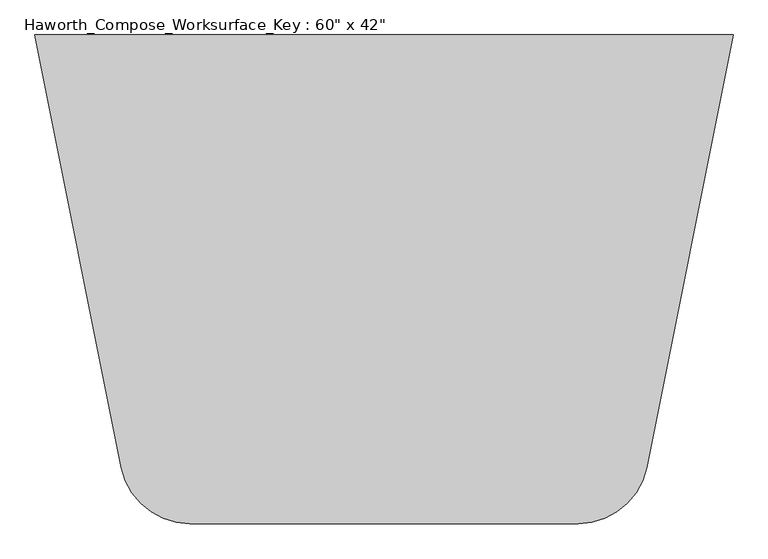
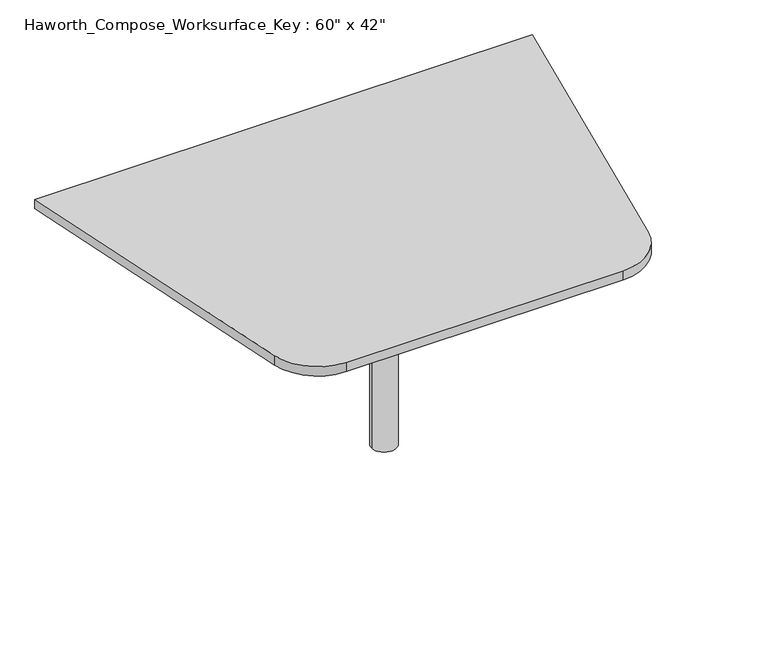
"""IFC4 building model written with IfcOpenShell, lengths in millimetres: furniture geometry."""

from ifc_helpers import new_model, si_unit, point, frame, frame_2d, origin, place, context, project, spatial, polyline, circle_curve, trimmed, segment, composite_curve, outline, extrude, source, transform, mapped, element, save
from ifc_brep_helpers import plane_surface, cylinder_surface, advanced_brep


def furniture_0da8763a(model_context):
    return source(origin(), model_context, "Body", "SolidModel", [
        advanced_brep(
        [(38.1, 139.7, 706.4375), (-38.1, 139.7, 706.4375), (0.0, 139.7, 706.4375), (38.1, 139.7, 0.0), (-38.1, 139.7, 0.0), (0.0, 139.7, 0.0)],
        [
            (0, 1, circle_curve(frame((0.0, 139.7, 706.4375), z_axis=(0.0, 0.0, 1.0), x_axis=(-1.0, 0.0, 0.0)), 38.1)),
            (1, 2),
            (2, 0),
            (1, 0, circle_curve(frame((0.0, 139.7, 706.4375), z_axis=(0.0, 0.0, 1.0), x_axis=(-1.0, 0.0, 0.0)), 38.1)),
            (3, 4, circle_curve(frame((0.0, 139.7, 0.0), z_axis=(0.0, 0.0, 1.0), x_axis=(-1.0, 0.0, 0.0)), 38.1)),
            (4, 1),
            (0, 3),
            (4, 3, circle_curve(frame((0.0, 139.7, 0.0), z_axis=(0.0, 0.0, 1.0), x_axis=(-1.0, 0.0, 0.0)), 38.1)),
            (5, 4),
            (3, 5),
        ],
        [
            plane_surface(frame((0.0, 139.7, 706.4375), z_axis=(0.0, 0.0, 1.0), x_axis=(-1.0, 0.0, 0.0))),
            cylinder_surface(frame((0.0, 139.7, 889.623257), z_axis=(0.0, 0.0, -1.0), x_axis=(-1.0, 0.0, 0.0)), 38.1),
            plane_surface(frame((0.0, 139.7, 0.0), z_axis=(0.0, 0.0, -1.0), x_axis=(-1.0, 0.0, 0.0))),
        ],
        [
            (0, [[1, 2, 3]]),
            (0, [[4, -3, -2]]),
            (1, [[5, 6, -1, 7]]),
            (1, [[8, -7, -4, -6]]),
            (2, [[9, -5, 10]]),
            (2, [[-10, -8, -9]]),
        ],
    ),
        extrude(outline(composite_curve([segment(polyline([(762.0, 673.1), (573.1423802, -271.188099)]), True, "CONTINUOUS"), segment(trimmed(circle_curve(frame_2d((423.7018852, -241.3)), 152.4), [point((573.1423802, -271.188099))], [point((423.7018852, -393.7))], False, "CARTESIAN"), True, "CONTINUOUS"), segment(polyline([(423.7018852, -393.7), (-423.7018852, -393.7)]), True, "CONTINUOUS"), segment(trimmed(circle_curve(frame_2d((-423.7018852, -241.3)), 152.4), [point((-423.7018852, -393.7))], [point((-573.1423802, -271.188099))], False, "CARTESIAN"), True, "CONTINUOUS"), segment(polyline([(-573.1423802, -271.188099), (-762.0, 673.1), (762.0, 673.1)]), True, "CONTINUOUS")], self_intersect=False)), frame((0.0, 0.0, 706.4375), z_axis=(0.0, 0.0, 1.0), x_axis=(1.0, 0.0, 0.0)), (0.0, 0.0, 1.0), 30.1625),
    ])


if __name__ == "__main__":
    model = new_model("IFC4")
    model_context = context("Model", 3, world=origin())
    ifc_project = project(units=[si_unit("LENGTHUNIT", "METRE", prefix="MILLI")], contexts=[model_context])
    site = spatial("IfcSite", under=ifc_project)
    building = spatial("IfcBuilding", under=site)
    placement = place(None, origin())
    furniture_shape = furniture_0da8763a(model_context)
    element("IfcFurniture", 1, ObjectType="Haworth_Compose_Worksurface_Key : 60\" x 42\"", at=placement, inside=building, context=model_context, shape_type="MappedRepresentation", body=[
        mapped(furniture_shape, transform((0.0, 0.0, 0.0), x_axis=(1.0, 0.0, 0.0), y_axis=(0.0, 1.0, 0.0), z_axis=(0.0, 0.0, 1.0))),
    ])
    save(model, "model.ifc")
